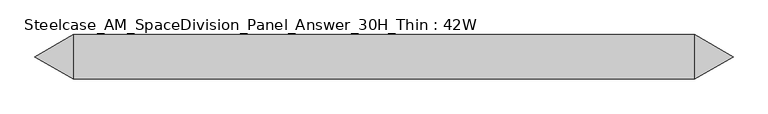
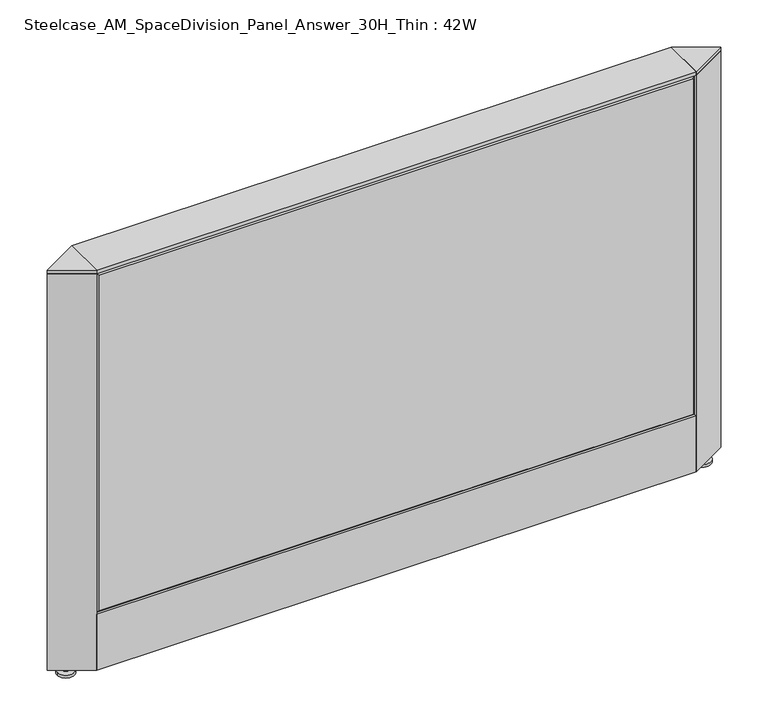
"""IFC4 building model written with IfcOpenShell, lengths in millimetres: furniture geometry, Steelcase_AM_SpaceDivision_Panel_Answer_30H_Thin : 42W."""

from ifc_helpers import new_model, si_unit, point, frame, frame_2d, origin, place, context, project, spatial, polyline, circle_curve, trimmed, segment, composite_curve, outline, extrude, faceted_brep, source, transform, mapped, element, save


def steelcase_am_spacedivision_panel_answer_30h_thin_42w_e97df392(model_context):
    return source(origin(), model_context, "Body", "SolidModel", [
        extrude(outline(polyline([(-37.3075215, 119.8575157), (-37.3075215, 15.494), (-38.1000194, 15.494), (-38.1000194, 120.65), (-25.4000011, 120.65), (-25.4000011, 119.8575157), (-37.3075215, 119.8575157)])), frame((-533.4, 0.0, 0.0), z_axis=(1.0, 0.0, 0.0), x_axis=(0.0, 1.0, 0.0)), (0.0, 0.0, 1.0), 1066.8),
        extrude(outline(polyline([(37.3075215, 119.8575157), (25.4000011, 119.8575157), (25.4000011, 120.65), (38.1000194, 120.65), (38.1000194, 15.494), (37.3075215, 15.494), (37.3075215, 119.8575157)])), frame((-533.4, 0.0, 0.0), z_axis=(1.0, 0.0, 0.0), x_axis=(0.0, 1.0, 0.0)), (0.0, 0.0, 1.0), 1066.8),
        extrude(outline(composite_curve([segment(trimmed(circle_curve(frame_2d((566.42, 1.94e-05)), 5.08), [point((571.5, 1.94e-05))], [point((561.34, 1.94e-05))], False, "CARTESIAN"), True, "CONTINUOUS"), segment(trimmed(circle_curve(frame_2d((566.42, 1.94e-05)), 5.08), [point((561.34, 1.94e-05))], [point((571.5, 1.94e-05))], False, "CARTESIAN"), True, "CONTINUOUS")], self_intersect=False)), frame((0.0, 0.0, 5.0799671), z_axis=(0.0, 0.0, 1.0), x_axis=(1.0, 0.0, 0.0)), (0.0, 0.0, 1.0), 10.414),
        extrude(outline(composite_curve([segment(trimmed(circle_curve(frame_2d((566.42, 1.94e-05)), 15.24), [point((581.66, 1.94e-05))], [point((551.18, 1.94e-05))], False, "CARTESIAN"), True, "CONTINUOUS"), segment(trimmed(circle_curve(frame_2d((566.42, 1.94e-05)), 15.24), [point((551.18, 1.94e-05))], [point((581.66, 1.94e-05))], False, "CARTESIAN"), True, "CONTINUOUS")], self_intersect=False)), frame((0.0, 0.0, -3.29e-05), z_axis=(0.0, 0.0, 1.0), x_axis=(1.0, 0.0, 0.0)), (0.0, 0.0, 1.0), 5.08),
        extrude(outline(polyline([(533.4, -38.0999611), (533.4, 38.1), (599.3935144, 1.94e-05), (533.4, -38.0999611)])), frame((0.0, 0.0, 761.9999671), z_axis=(0.0, 0.0, 1.0), x_axis=(1.0, 0.0, 0.0)), (0.0, 0.0, 1.0), 6.35),
        extrude(outline(polyline([(533.4, 38.1), (599.3935144, 1.94e-05), (533.4, -38.0999611), (533.4, 38.1)])), frame((0.0, 0.0, 15.4939671), z_axis=(0.0, 0.0, 1.0), x_axis=(1.0, 0.0, 0.0)), (0.0, 0.0, 1.0), 746.506),
        extrude(outline(composite_curve([segment(trimmed(circle_curve(frame_2d((-566.42, 0.0)), 5.08), [point((-571.5, 0.0))], [point((-561.34, 0.0))], False, "CARTESIAN"), True, "CONTINUOUS"), segment(trimmed(circle_curve(frame_2d((-566.42, 0.0)), 5.08), [point((-561.34, 0.0))], [point((-571.5, 0.0))], False, "CARTESIAN"), True, "CONTINUOUS")], self_intersect=False)), frame((0.0, 0.0, 5.0799671), z_axis=(0.0, 0.0, 1.0), x_axis=(1.0, 0.0, 0.0)), (0.0, 0.0, 1.0), 10.414),
        extrude(outline(composite_curve([segment(trimmed(circle_curve(frame_2d((-566.42, 0.0)), 15.24), [point((-581.66, 0.0))], [point((-551.18, 0.0))], False, "CARTESIAN"), True, "CONTINUOUS"), segment(trimmed(circle_curve(frame_2d((-566.42, 0.0)), 15.24), [point((-551.18, 0.0))], [point((-581.66, 0.0))], False, "CARTESIAN"), True, "CONTINUOUS")], self_intersect=False)), frame((0.0, 0.0, -3.29e-05), z_axis=(0.0, 0.0, 1.0), x_axis=(1.0, 0.0, 0.0)), (0.0, 0.0, 1.0), 5.08),
        extrude(outline(polyline([(-533.4, 38.0999806), (-533.4, -38.0999806), (-599.3935144, 0.0), (-533.4, 38.0999806)])), frame((0.0, 0.0, 761.9999671), z_axis=(0.0, 0.0, 1.0), x_axis=(1.0, 0.0, 0.0)), (0.0, 0.0, 1.0), 6.35),
        extrude(outline(polyline([(-533.4, -38.0999806), (-599.3935144, 0.0), (-533.4, 38.0999806), (-533.4, -38.0999806)])), frame((0.0, 0.0, 15.4939671), z_axis=(0.0, 0.0, 1.0), x_axis=(1.0, 0.0, 0.0)), (0.0, 0.0, 1.0), 746.506),
        faceted_brep([(528.574, -38.100001, 757.174), (-528.574, -38.100001, 757.174), (-528.574, -38.100001, 125.476), (528.574, -38.100001, 125.476), (533.4, -33.274001, 762.0), (533.4, -33.274001, 120.65), (-533.4, -33.274001, 120.65), (-533.4, -33.274001, 762.0)], [[[0, 1, 2, 3]], [[4, 5, 6, 7]], [[4, 7, 1, 0]], [[7, 6, 2, 1]], [[6, 5, 3, 2]], [[5, 4, 0, 3]]]),
        faceted_brep([(528.574, 38.100001, 757.174), (528.574, 38.100001, 125.476), (-528.574, 38.100001, 125.476), (-528.574, 38.100001, 757.174), (533.4, 33.274001, 762.0), (-533.4, 33.274001, 762.0), (-533.4, 33.274001, 120.65), (533.4, 33.274001, 120.65)], [[[0, 1, 2, 3]], [[4, 5, 6, 7]], [[4, 0, 3, 5]], [[5, 3, 2, 6]], [[6, 2, 1, 7]], [[7, 1, 0, 4]]]),
        extrude(outline(polyline([(533.4, -38.1000194), (-533.4, -38.1000194), (-533.4, 38.1000194), (533.4, 38.1000194), (533.4, -38.1000194)])), frame((0.0, 0.0, 762.0), z_axis=(0.0, 0.0, 1.0), x_axis=(1.0, 0.0, 0.0)), (0.0, 0.0, 1.0), 6.35),
    ])


if __name__ == "__main__":
    model = new_model("IFC4")
    model_context = context("Model", 3, world=origin())
    ifc_project = project(units=[si_unit("LENGTHUNIT", "METRE", prefix="MILLI")], contexts=[model_context])
    site = spatial("IfcSite", under=ifc_project)
    building = spatial("IfcBuilding", under=site)
    placement = place(None, origin())
    steelcase_am_spacedivision_panel_answer_30h_thin_42w_shape = steelcase_am_spacedivision_panel_answer_30h_thin_42w_e97df392(model_context)
    element("IfcFurniture", 1, ObjectType="Steelcase_AM_SpaceDivision_Panel_Answer_30H_Thin : 42W", at=placement, inside=building, context=model_context, shape_type="MappedRepresentation", body=[
        mapped(steelcase_am_spacedivision_panel_answer_30h_thin_42w_shape, transform((0.0, 0.0, 0.0), x_axis=(1.0, 0.0, 0.0), y_axis=(0.0, 1.0, 0.0), z_axis=(0.0, 0.0, 1.0))),
    ])
    save(model, "model.ifc")
